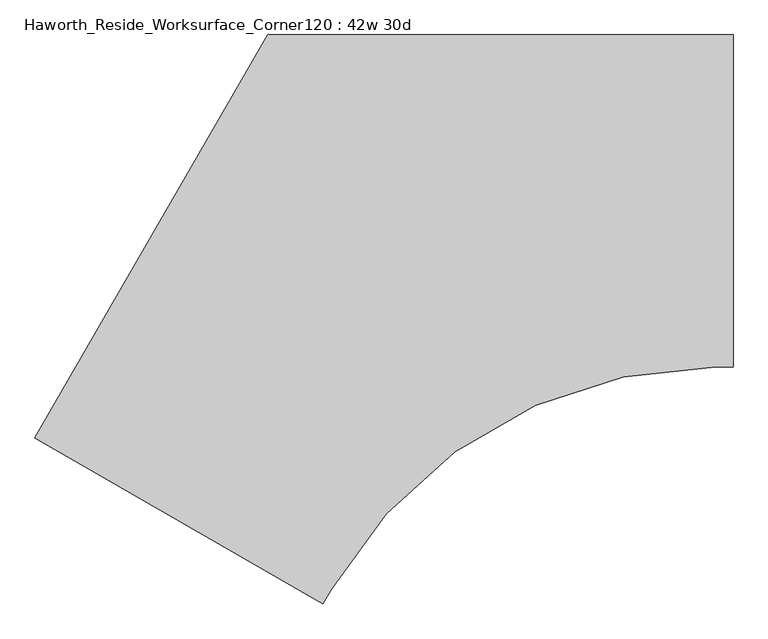
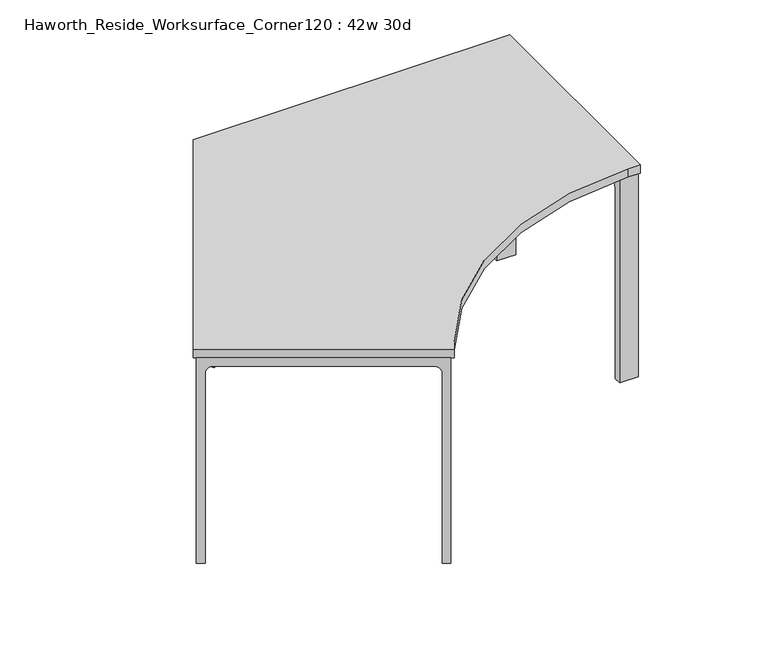
"""IFC4 building model written with IfcOpenShell, lengths in millimetres: furniture geometry, Haworth_Reside_Worksurface_Corner120 : 42w 30d."""

from ifc_helpers import new_model, si_unit, point, frame, frame_2d, origin, place, context, project, spatial, polyline, circle_curve, trimmed, segment, composite_curve, outline, extrude, source, transform, mapped, element, save


def haworth_reside_worksurface_corner120_42w_30d_25d3405c(model_context):
    return source(origin(), model_context, "Body", "SweptSolid", [
        extrude(outline(composite_curve([segment(polyline([(0.0, 0.0), (146.0500001, 0.0), (146.0500001, -731.8375), (120.65, -731.8375), (120.65, -55.5625)]), True, "CONTINUOUS"), segment(trimmed(circle_curve(frame_2d((95.25, -55.5625)), 25.4), [point((120.65, -55.5625))], [point((95.25, -30.1625))], True, "CARTESIAN"), True, "CONTINUOUS"), segment(polyline([(95.25, -30.1625), (0.0, -30.1625), (0.0, 0.0)]), True, "CONTINUOUS")], self_intersect=False)), frame((-684.7213066, 107.4493766, 731.8375), z_axis=(0.866025403784444, 0.49999999999999084, 0.0), x_axis=(-0.49999999999999084, 0.866025403784444, 0.0)), (0.0, 0.0, 1.0), 63.5),
        extrude(outline(composite_curve([segment(polyline([(0.0, 0.0), (527.05, 0.0), (527.05, -731.8375), (501.65, -731.8375), (501.65, -55.5625)]), True, "CONTINUOUS"), segment(trimmed(circle_curve(frame_2d((476.25, -55.5625)), 25.4), [point((501.65, -55.5625))], [point((476.25, -30.1625))], True, "CARTESIAN"), True, "CONTINUOUS"), segment(polyline([(476.25, -30.1625), (0.0, -30.1625), (0.0, 0.0)]), True, "CONTINUOUS")], self_intersect=False)), frame((-494.2213066, -222.5063022, 731.8375), z_axis=(0.866025403784444, 0.49999999999999084, 0.0), x_axis=(-0.49999999999999084, 0.866025403784444, 0.0)), (0.0, 0.0, 1.0), 63.5),
        extrude(outline(composite_curve([segment(trimmed(circle_curve(frame_2d((244.475, 676.275)), 25.4), [point((269.875, 676.275))], [point((244.475, 701.675))], True, "CARTESIAN"), True, "CONTINUOUS"), segment(polyline([(244.475, 701.675), (-396.875, 701.675)]), True, "CONTINUOUS"), segment(trimmed(circle_curve(frame_2d((-396.875, 676.275)), 25.4), [point((-396.875, 701.675))], [point((-422.275, 676.275))], True, "CARTESIAN"), True, "CONTINUOUS"), segment(polyline([(-422.275, 676.275), (-422.275, 0.0), (-447.675, 0.0), (-447.675, 731.8375), (295.275, 731.8375), (295.275, 0.0), (269.875, 0.0), (269.875, 676.275)]), True, "CONTINUOUS")], self_intersect=False)), frame((241.3, 0.0, 0.0), z_axis=(1.0, 0.0, 0.0), x_axis=(0.0, 1.0, 0.0)), (0.0, 0.0, 1.0), 63.5),
        extrude(outline(composite_curve([segment(trimmed(circle_curve(frame_2d((676.275, 25.4)), 25.4), [point((676.275, 0.0))], [point((701.675, 25.4))], True, "CARTESIAN"), True, "CONTINUOUS"), segment(polyline([(701.675, 25.4), (701.675, 666.75)]), True, "CONTINUOUS"), segment(trimmed(circle_curve(frame_2d((676.275, 666.75)), 25.4), [point((701.675, 666.75))], [point((676.275, 692.1500001))], True, "CARTESIAN"), True, "CONTINUOUS"), segment(polyline([(676.275, 692.1500001), (0.0, 692.1500001), (0.0, 717.55), (731.8375, 717.55), (731.8375, -25.4), (0.0, -25.4), (0.0, 0.0), (676.275, 0.0)]), True, "CONTINUOUS")], self_intersect=False)), frame((-1265.1540628, -636.5384008, 0.0), z_axis=(0.4999999999999951, 0.8660254037844415, 0.0), x_axis=(0.0, 0.0, 1.0)), (0.0, 0.0, 1.0), 63.5),
        extrude(outline(composite_curve([segment(polyline([(-1295.4, -619.0759008), (-762.0, 304.8), (304.8, 304.8), (304.8, -457.2), (264.5287786, -457.2)]), True, "CONTINUOUS"), segment(trimmed(circle_curve(frame_2d((264.5287786, -1473.2)), 1016.0), [point((264.5287786, -457.2))], [point((-615.3530316, -965.2))], True, "CARTESIAN"), True, "CONTINUOUS"), segment(polyline([(-615.3530316, -965.2), (-635.4886423, -1000.0759008), (-1295.4, -619.0759008)]), True, "CONTINUOUS")], self_intersect=False)), frame((0.0, 0.0, 731.8375), z_axis=(0.0, 0.0, 1.0), x_axis=(1.0, 0.0, 0.0)), (0.0, 0.0, 1.0), 30.1625),
    ])


if __name__ == "__main__":
    model = new_model("IFC4")
    model_context = context("Model", 3, world=origin())
    ifc_project = project(units=[si_unit("LENGTHUNIT", "METRE", prefix="MILLI")], contexts=[model_context])
    site = spatial("IfcSite", under=ifc_project)
    building = spatial("IfcBuilding", under=site)
    placement = place(None, origin())
    haworth_reside_worksurface_corner120_42w_30d_shape = haworth_reside_worksurface_corner120_42w_30d_25d3405c(model_context)
    element("IfcFurniture", 1, ObjectType="Haworth_Reside_Worksurface_Corner120 : 42w 30d", at=placement, inside=building, context=model_context, shape_type="MappedRepresentation", body=[
        mapped(haworth_reside_worksurface_corner120_42w_30d_shape, transform((0.0, 0.0, 0.0), x_axis=(1.0, 0.0, 0.0), y_axis=(0.0, 1.0, 0.0), z_axis=(0.0, 0.0, 1.0))),
    ])
    save(model, "model.ifc")
